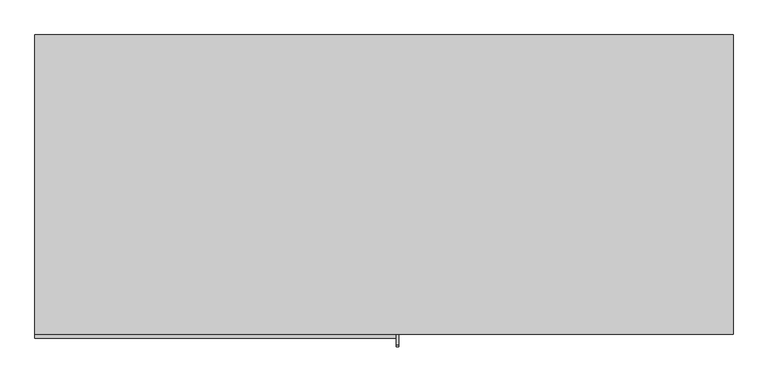
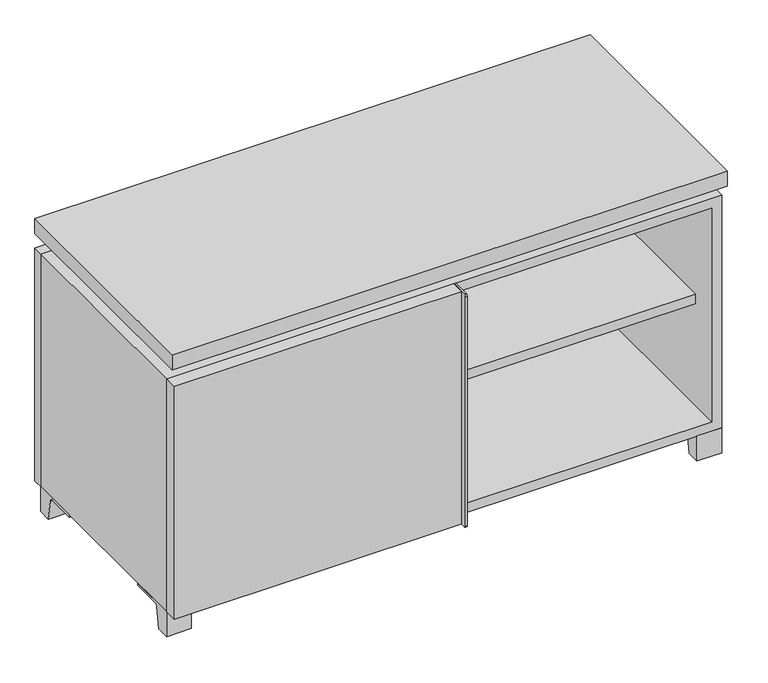
"""IFC4 building model written with IfcOpenShell, lengths in millimetres: furniture geometry."""

import ifcopenshell
import ifcopenshell.guid

model = None  # the IFC model being written
_history = None  # IfcOwnerHistory: only IFC2X3 demands one
_inside = {}  # id of a spatial element -> (the spatial element, [elements in it])
_under = {}  # id of a project, library or spatial element -> (it, [spatial elements below it])
_declared = {}  # id of a project -> (the project, [libraries it declares])
_typed = {}  # id of a type object -> (the type object, [elements of that type])
_made_of = {}  # id of a material, layer set ... -> (it, [elements and type objects made of it])


def new_model(schema):
    """Start an empty IFC model of exactly this schema.

    Asked for "IFC4X3", IfcOpenShell would pick the latest addendum, in which some entities
    have other attributes; the version numbers below select the first issue.
    IFC2X3 requires an IfcOwnerHistory on every rooted entity: one is made here for all.
    """
    global model, _history
    if schema == "IFC4X3":
        model = ifcopenshell.file(schema_version=(4, 3, 0, 0))
    else:
        model = ifcopenshell.file(schema=schema)
    _inside.clear()
    _under.clear()
    _declared.clear()
    _typed.clear()
    _made_of.clear()
    _history = None
    if model.schema == "IFC2X3":
        org = make("IfcOrganization", Name="unknown")
        user = make(
            "IfcPersonAndOrganization",
            ThePerson=make("IfcPerson", FamilyName="unknown"),
            TheOrganization=org,
        )
        app = make(
            "IfcApplication",
            ApplicationDeveloper=org,
            Version="unknown",
            ApplicationFullName="unknown",
            ApplicationIdentifier="unknown",
        )
        _history = make(
            "IfcOwnerHistory",
            OwningUser=user,
            OwningApplication=app,
            ChangeAction="ADDED",
            CreationDate=0,
        )
    return model


def make(cls, **values):
    """One entity of the class cls with the attributes given. An attribute that is None is left unset."""
    return model.create_entity(
        cls, **{name: value for name, value in values.items() if value is not None}
    )


def rooted(cls, **values):
    """An entity with a GlobalId (a new one), such as an element, a storey or a relation."""
    return make(cls, GlobalId=ifcopenshell.guid.new(), OwnerHistory=_history, **values)


def si_unit(unit_type, name, prefix=None):
    """IfcSIUnit, for example si_unit("LENGTHUNIT", "METRE", prefix="MILLI")."""
    return make("IfcSIUnit", UnitType=unit_type, Prefix=prefix, Name=name)


def assignment(units):
    """IfcUnitAssignment: the units of a project."""
    return None if units is None else make("IfcUnitAssignment", Units=units)


def point(xyz):
    """IfcCartesianPoint."""
    return None if xyz is None else make("IfcCartesianPoint", Coordinates=xyz)


def direction(xyz):
    """IfcDirection."""
    return None if xyz is None else make("IfcDirection", DirectionRatios=xyz)


def frame(location, z_axis=None, x_axis=None):
    """IfcAxis2Placement3D, a coordinate frame: its origin and axes. An axis left out is left unset."""
    return make(
        "IfcAxis2Placement3D",
        Location=point(location),
        Axis=direction(z_axis),
        RefDirection=direction(x_axis),
    )


def frame_2d(location, x_axis=None):
    """IfcAxis2Placement2D, a coordinate frame in the plane: its origin and x axis."""
    return make(
        "IfcAxis2Placement2D", Location=point(location), RefDirection=direction(x_axis)
    )


def origin():
    """The frame at (0, 0, 0) with its axes left unset."""
    return frame((0.0, 0.0, 0.0))


def place(relative_to, where):
    """IfcLocalPlacement: puts the frame where relative to a parent placement (None: the world)."""
    return make(
        "IfcLocalPlacement", PlacementRelTo=relative_to, RelativePlacement=where
    )


def context(
    kind, dimensions, precision=None, world=None, true_north=None, identifier=None
):
    """IfcGeometricRepresentationContext, for example the 3D "Model" context."""
    return make(
        "IfcGeometricRepresentationContext",
        ContextIdentifier=identifier,
        ContextType=kind,
        CoordinateSpaceDimension=dimensions,
        Precision=precision,
        WorldCoordinateSystem=world,
        TrueNorth=true_north,
    )


def project(units=None, contexts=None):
    """IfcProject with its units and contexts."""
    return rooted(
        "IfcProject",
        Name="project",
        RepresentationContexts=contexts,
        UnitsInContext=assignment(units),
    )


def spatial(cls, under=None, at=None, **own):
    """A site, building, storey or space (cls), placed at a placement, below another one or the project."""
    s = rooted(cls, ObjectPlacement=at, **own)
    if under is not None:
        _under.setdefault(under.id(), (under, []))[1].append(s)
    return s


def polyline(points):
    """IfcPolyline through the points."""
    return make("IfcPolyline", Points=[point(p) for p in points])


def circle_curve(where, radius):
    """IfcCircle in the frame where."""
    return make("IfcCircle", Position=where, Radius=radius)


def trimmed(basis, trim1, trim2, sense, master):
    """IfcTrimmedCurve: the piece of a basis curve between two trims."""
    return make(
        "IfcTrimmedCurve",
        BasisCurve=basis,
        Trim1=trim1,
        Trim2=trim2,
        SenseAgreement=sense,
        MasterRepresentation=master,
    )


def segment(curve, same_sense, transition):
    """IfcCompositeCurveSegment."""
    return make(
        "IfcCompositeCurveSegment",
        Transition=transition,
        SameSense=same_sense,
        ParentCurve=curve,
    )


def composite_curve(segments, self_intersect=None):
    """IfcCompositeCurve: segments joined end to end."""
    return make("IfcCompositeCurve", Segments=segments, SelfIntersect=self_intersect)


def outline(outer, holes=None, kind="AREA"):
    """IfcArbitraryClosedProfileDef: a profile drawn as a closed curve; with holes, ...WithVoids."""
    if holes is None:
        return make("IfcArbitraryClosedProfileDef", ProfileType=kind, OuterCurve=outer)
    return make(
        "IfcArbitraryProfileDefWithVoids",
        ProfileType=kind,
        OuterCurve=outer,
        InnerCurves=holes,
    )


def extrude(swept, where, along, depth):
    """IfcExtrudedAreaSolid: the profile swept, set in the frame where, extruded along a direction by depth."""
    return make(
        "IfcExtrudedAreaSolid",
        SweptArea=swept,
        Position=where,
        ExtrudedDirection=direction(along),
        Depth=depth,
    )


def faces_of(points, faces, orient=None, outer=None):
    """IfcFace entities. A face is a list of loops; a loop is a list of indices into points, from 0.

    orient and outer hold one flag for each loop. By default every Orientation is true, the
    first loop of a face is its IfcFaceOuterBound and the others are IfcFaceBound.
    """
    made = []
    for i, loops in enumerate(faces):
        bounds = []
        for j, loop in enumerate(loops):
            is_outer = j == 0 if outer is None else outer[i][j]
            bounds.append(
                make(
                    "IfcFaceOuterBound" if is_outer else "IfcFaceBound",
                    Bound=make("IfcPolyLoop", Polygon=[points[k] for k in loop]),
                    Orientation=True if orient is None else orient[i][j],
                )
            )
        made.append(make("IfcFace", Bounds=bounds))
    return made


def faceted_brep(points, faces, orient=None, outer=None, voids=None):
    """IfcFacetedBrep: a solid bounded by flat faces; with voids (closed shells), ...WithVoids."""
    shared = [point(p) for p in points]
    hull = make("IfcClosedShell", CfsFaces=faces_of(shared, faces, orient, outer))
    if voids is None:
        return make("IfcFacetedBrep", Outer=hull)
    return make(
        "IfcFacetedBrepWithVoids",
        Outer=hull,
        Voids=[
            make(cls, CfsFaces=faces_of(shared, fs, o, b)) for cls, fs, o, b in voids
        ],
    )


def shape(context_of_items, identifier, shape_type, items):
    """IfcShapeRepresentation: the items that make up one representation, for example the "Body"."""
    return make(
        "IfcShapeRepresentation",
        ContextOfItems=context_of_items,
        RepresentationIdentifier=identifier,
        RepresentationType=shape_type,
        Items=items,
    )


def source(mapping_origin, context_of_items, identifier, shape_type, items):
    """IfcRepresentationMap: a shape defined once, which mapped items show again and again."""
    return make(
        "IfcRepresentationMap",
        MappingOrigin=mapping_origin,
        MappedRepresentation=shape(context_of_items, identifier, shape_type, items),
    )


def transform(
    local_origin,
    x_axis=None,
    y_axis=None,
    z_axis=None,
    scale=None,
    scale2=None,
    scale3=None,
    uniform=True,
):
    """IfcCartesianTransformationOperator3D, or its non-uniform kind. x_axis, y_axis, z_axis: its Axis1, 2, 3."""
    if uniform:
        return make(
            "IfcCartesianTransformationOperator3D",
            Axis1=direction(x_axis),
            Axis2=direction(y_axis),
            LocalOrigin=point(local_origin),
            Scale=scale,
            Axis3=direction(z_axis),
        )
    return make(
        "IfcCartesianTransformationOperator3DnonUniform",
        Axis1=direction(x_axis),
        Axis2=direction(y_axis),
        LocalOrigin=point(local_origin),
        Scale=scale,
        Axis3=direction(z_axis),
        Scale2=scale2,
        Scale3=scale3,
    )


def mapped(mapping_source, mapping_target):
    """IfcMappedItem: shows the shape of a source again, moved by a transform."""
    return make(
        "IfcMappedItem", MappingSource=mapping_source, MappingTarget=mapping_target
    )


def made_of(thing, what):
    """Note that an element or type object is made of a material, layer set ...; save() writes the relation."""
    if what is not None:
        _made_of.setdefault(what.id(), (what, []))[1].append(thing)
    return thing


def element(
    cls,
    number,
    at=None,
    inside=None,
    cuts=None,
    type_object=None,
    material=None,
    context=None,
    identifier="Body",
    shape_type=None,
    held_by="IfcProductDefinitionShape",
    body=None,
    shapes=None,
    **own,
):
    """One element of the class cls, such as IfcWall. Its Tag is "e" and its number.

    at: its placement. inside: the storey or other place that contains it. cuts: it is an
    opening in that element (IfcRelVoidsElement). A single representation is given by context,
    identifier, shape_type and body (its items); several are given by shapes. held_by: the class
    of the entity that holds the representations. save() writes the other relations.
    """
    e = rooted(cls, Tag="e%d" % number, ObjectPlacement=at, **own)
    if body is not None:
        shapes = [shape(context, identifier, shape_type, body)]
    if shapes is not None:
        e.Representation = make(held_by, Representations=shapes)
    if inside is not None:
        _inside.setdefault(inside.id(), (inside, []))[1].append(e)
    if cuts is not None:
        rooted(
            "IfcRelVoidsElement", RelatingBuildingElement=cuts, RelatedOpeningElement=e
        )
    if type_object is not None:
        _typed.setdefault(type_object.id(), (type_object, []))[1].append(e)
    return made_of(e, material)


def aggregate(whole, parts):
    """IfcRelAggregates: a whole, such as a stair, and the parts it consists of."""
    return rooted("IfcRelAggregates", RelatingObject=whole, RelatedObjects=parts)


def save(model, path):
    """Write the relations noted so far, then the file.

    IfcRelAggregates (storeys below a building ...), IfcRelContainedInSpatialStructure (elements
    in a storey), IfcRelDefinesByType, IfcRelAssociatesMaterial and IfcRelDeclares: one each for
    every whole, place, type object, material and project.
    """
    for whole, parts in _under.values():
        aggregate(whole, parts)
    for where, things in _inside.values():
        rooted(
            "IfcRelContainedInSpatialStructure",
            RelatedElements=things,
            RelatingStructure=where,
        )
    for kind, things in _typed.values():
        rooted("IfcRelDefinesByType", RelatedObjects=things, RelatingType=kind)
    for what, things in _made_of.values():
        rooted("IfcRelAssociatesMaterial", RelatedObjects=things, RelatingMaterial=what)
    for by, libraries in _declared.values():
        rooted("IfcRelDeclares", RelatingContext=by, RelatedDefinitions=libraries)
    model.write(path)


def furniture_6ed6b33f(model_context):
    return source(origin(), model_context, "Body", "SolidModel", [
        extrude(outline(polyline([(9.5319453, 241.3), (514.3569453, 241.3), (514.3569453, -92.075), (9.5319453, -92.075), (9.5319453, 241.3)])), frame((0.0, 0.0, 277.8125), z_axis=(0.0, 0.0, 1.0), x_axis=(1.0, 0.0, 0.0)), (0.0, 0.0, 1.0), 19.05),
        extrude(outline(polyline([(-9.5041641, 241.3), (-9.5041641, -92.075), (-514.3291641, -92.075), (-514.3291641, 241.3), (-9.5041641, 241.3)])), frame((0.0, 0.0, 277.8125), z_axis=(0.0, 0.0, 1.0), x_axis=(1.0, 0.0, 0.0)), (0.0, 0.0, 1.0), 19.05),
        extrude(outline(polyline([(533.4138906, 292.1), (533.4138906, -165.1), (-533.3861094, -165.1), (-533.3861094, 292.1), (533.4138906, 292.1)])), frame((0.0, 0.0, 554.0375), z_axis=(0.0, 0.0, 1.0), x_axis=(1.0, 0.0, 0.0)), (0.0, 0.0, 1.0), 30.1625),
        extrude(outline(composite_curve([segment(polyline([(-146.05, 523.875), (-146.05, 50.8), (-180.975, 50.8)]), True, "CONTINUOUS"), segment(trimmed(circle_curve(frame_2d((-180.975, 53.975)), 3.175), [point((-180.975, 50.8))], [point((-184.15, 53.975))], False, "CARTESIAN"), True, "CONTINUOUS"), segment(polyline([(-184.15, 53.975), (-184.15, 520.7)]), True, "CONTINUOUS"), segment(trimmed(circle_curve(frame_2d((-180.975, 520.7)), 3.175), [point((-184.15, 520.7))], [point((-180.975, 523.875))], False, "CARTESIAN"), True, "CONTINUOUS"), segment(polyline([(-180.975, 523.875), (-146.05, 523.875)]), True, "CONTINUOUS")], self_intersect=False)), frame((19.0638906, 0.0, 0.0), z_axis=(1.0, 0.0, 0.0), x_axis=(0.0, 1.0, 0.0)), (0.0, 0.0, 1.0), 3.175),
        extrude(outline(polyline([(-533.3861094, -146.05), (19.0638906, -146.05), (19.0638906, -171.45), (-533.3861094, -171.45), (-533.3861094, -146.05)])), frame((0.0, 0.0, 50.8), z_axis=(0.0, 0.0, 1.0), x_axis=(1.0, 0.0, 0.0)), (0.0, 0.0, 1.0), 473.075),
        extrude(outline(composite_curve([segment(polyline([(-120.6500136, 0.0), (-146.05, 0.0), (-146.05, 50.8), (-50.8, 50.8), (-50.8, 46.0213321), (-107.6005345, 46.0213321)]), True, "CONTINUOUS"), segment(trimmed(circle_curve(frame_2d((-107.6005345, 39.6713321)), 6.35), [point((-107.6005345, 46.0213321))], [point((-113.8641359, 40.7152656))], True, "CARTESIAN"), True, "CONTINUOUS"), segment(polyline([(-113.8641359, 40.7152656), (-120.6500136, 0.0)]), True, "CONTINUOUS")], self_intersect=False)), frame((485.7888906, 0.0, 0.0), z_axis=(1.0, 0.0, 0.0), x_axis=(0.0, 1.0, 0.0)), (0.0, 0.0, 1.0), 47.625),
        extrude(outline(composite_curve([segment(polyline([(247.6500136, 0.0), (240.8641359, 40.7152656)]), True, "CONTINUOUS"), segment(trimmed(circle_curve(frame_2d((234.6005345, 39.6713321)), 6.35), [point((240.8641359, 40.7152656))], [point((234.6005345, 46.0213321))], True, "CARTESIAN"), True, "CONTINUOUS"), segment(polyline([(234.6005345, 46.0213321), (177.8, 46.0213321), (177.8, 50.8), (273.05, 50.8), (273.05, 0.0), (247.6500136, 0.0)]), True, "CONTINUOUS")], self_intersect=False)), frame((485.7888906, 0.0, 0.0), z_axis=(1.0, 0.0, 0.0), x_axis=(0.0, 1.0, 0.0)), (0.0, 0.0, 1.0), 47.625),
        extrude(outline(composite_curve([segment(polyline([(-120.6500136, 0.0), (-146.05, 0.0), (-146.05, 50.8), (-50.8, 50.8), (-50.8, 46.0213321), (-107.6005345, 46.0213321)]), True, "CONTINUOUS"), segment(trimmed(circle_curve(frame_2d((-107.6005345, 39.6713321)), 6.35), [point((-107.6005345, 46.0213321))], [point((-113.8641359, 40.7152656))], True, "CARTESIAN"), True, "CONTINUOUS"), segment(polyline([(-113.8641359, 40.7152656), (-120.6500136, 0.0)]), True, "CONTINUOUS")], self_intersect=False)), frame((-533.3861094, 0.0, 0.0), z_axis=(1.0, 0.0, 0.0), x_axis=(0.0, 1.0, 0.0)), (0.0, 0.0, 1.0), 47.625),
        extrude(outline(composite_curve([segment(polyline([(247.6500136, 0.0), (240.8641359, 40.7152656)]), True, "CONTINUOUS"), segment(trimmed(circle_curve(frame_2d((234.6005345, 39.6713321)), 6.35), [point((240.8641359, 40.7152656))], [point((234.6005345, 46.0213321))], True, "CARTESIAN"), True, "CONTINUOUS"), segment(polyline([(234.6005345, 46.0213321), (177.8, 46.0213321), (177.8, 50.8), (273.05, 50.8), (273.05, 0.0), (247.6500136, 0.0)]), True, "CONTINUOUS")], self_intersect=False)), frame((-533.3861094, 0.0, 0.0), z_axis=(1.0, 0.0, 0.0), x_axis=(0.0, 1.0, 0.0)), (0.0, 0.0, 1.0), 47.625),
        faceted_brep([(7.9513906, -120.65, 554.0375), (7.9513906, -120.65, 523.875), (7.9513906, 53.975, 523.875), (7.9513906, 53.975, 554.0375), (7.9513906, 247.65, 523.875), (7.9513906, 247.65, 554.0375), (7.9513906, 73.025, 554.0375), (7.9513906, 73.025, 523.875), (-7.9236094, 247.65, 554.0375), (-7.9236094, 247.65, 523.875), (-7.9236094, 73.025, 523.875), (-7.9236094, 73.025, 554.0375), (-7.9236094, -120.65, 523.875), (-7.9236094, -120.65, 554.0375), (-7.9236094, 53.975, 554.0375), (-7.9236094, 53.975, 523.875), (-492.0833281, 73.025, 554.0375), (-492.1041641, 247.65, 554.0375), (-507.9791641, 247.65, 554.0375), (-507.9791641, -120.65, 554.0375), (-492.1041641, -120.65, 554.0375), (-492.1041641, 53.975, 554.0375), (492.1111094, 53.975, 554.0375), (492.1111094, -120.65, 554.0375), (507.9861094, -120.65, 554.0375), (507.9861094, 247.65, 554.0375), (492.1111094, 247.65, 554.0375), (492.1111094, 73.025, 554.0375), (-492.0833281, 53.975, 523.875), (-492.1041641, -120.65, 523.875), (-507.9791641, -120.65, 523.875), (-507.9791641, 247.65, 523.875), (-492.1041641, 247.65, 523.875), (-492.1041641, 73.025, 523.875), (492.1111094, 73.025, 523.875), (492.1111094, 247.65, 523.875), (507.9861094, 247.65, 523.875), (507.9861094, -120.65, 523.875), (492.1111094, -120.65, 523.875), (492.1111094, 53.975, 523.875)], [[[0, 1, 2, 3]], [[4, 5, 6, 7]], [[8, 9, 10, 11]], [[12, 13, 14, 15]], [[5, 8, 11, 16, 17, 18, 19, 20, 21, 14, 13, 0, 3, 22, 23, 24, 25, 26, 27, 6]], [[1, 12, 15, 28, 29, 30, 31, 32, 33, 10, 9, 4, 7, 34, 35, 36, 37, 38, 39, 2]], [[5, 4, 9, 8]], [[1, 0, 13, 12]], [[6, 27, 34, 7]], [[22, 3, 2, 39]], [[20, 29, 28, 21]], [[32, 17, 16, 33]], [[18, 31, 30, 19]], [[29, 20, 19, 30]], [[17, 32, 31, 18]], [[26, 35, 34, 27]], [[38, 23, 22, 39]], [[25, 24, 37, 36]], [[23, 38, 37, 24]], [[35, 26, 25, 36]], [[16, 11, 10, 33]], [[14, 21, 28, 15]]]),
        extrude(outline(polyline([(9.5388906, 241.3), (9.5388906, -95.25), (-9.5111094, -95.25), (-9.5111094, 241.3), (9.5388906, 241.3)])), frame((0.0, 0.0, 69.85), z_axis=(0.0, 0.0, 1.0), x_axis=(1.0, 0.0, 0.0)), (0.0, 0.0, 1.0), 434.975),
        extrude(outline(polyline([(15.8888906, -88.9), (15.8888906, -146.05), (-9.5111094, -146.05), (-9.5111094, -120.65), (3.1888906, -120.65), (3.1888906, -88.9), (15.8888906, -88.9)])), frame((0.0, 0.0, 69.85), z_axis=(0.0, 0.0, 1.0), x_axis=(1.0, 0.0, 0.0)), (0.0, 0.0, 1.0), 434.975),
        extrude(outline(polyline([(533.4138906, 273.05), (-533.3861094, 273.05), (-533.3861094, 292.1), (533.4138906, 292.1), (533.4138906, 273.05)])), frame((0.0, 0.0, 50.8), z_axis=(0.0, 0.0, 1.0), x_axis=(1.0, 0.0, 0.0)), (0.0, 0.0, 1.0), 473.075),
        extrude(outline(polyline([(50.8, -533.3861094), (50.8, 533.4), (523.875, 533.4), (523.875, -533.3861094), (50.8, -533.3861094)]), holes=[polyline([(69.85, -514.3361094), (504.825, -514.3361094), (504.825, 514.3361094), (69.85, 514.3361094), (69.85, -514.3361094)])]), frame((0.0, -146.05, 0.0), z_axis=(0.0, 1.0, 0.0), x_axis=(0.0, 0.0, 1.0)), (0.0, 0.0, 1.0), 419.1),
        extrude(outline(polyline([(-514.3291641, 241.3), (-514.3291641, 247.65), (514.3569453, 247.65), (514.3569453, 241.3), (-514.3291641, 241.3)])), frame((0.0, 0.0, 69.85), z_axis=(0.0, 0.0, 1.0), x_axis=(1.0, 0.0, 0.0)), (0.0, 0.0, 1.0), 434.975),
    ])


if __name__ == "__main__":
    model = new_model("IFC4")
    model_context = context("Model", 3, world=origin())
    ifc_project = project(units=[si_unit("LENGTHUNIT", "METRE", prefix="MILLI")], contexts=[model_context])
    site = spatial("IfcSite", under=ifc_project)
    building = spatial("IfcBuilding", under=site)
    placement = place(None, origin())
    furniture_shape = furniture_6ed6b33f(model_context)
    element("IfcFurniture", 1, at=placement, inside=building, context=model_context, shape_type="MappedRepresentation", body=[
        mapped(furniture_shape, transform((0.0, 0.0, 0.0), x_axis=(1.0, 0.0, 0.0), y_axis=(0.0, 1.0, 0.0), z_axis=(0.0, 0.0, 1.0))),
    ])
    save(model, "model.ifc")
